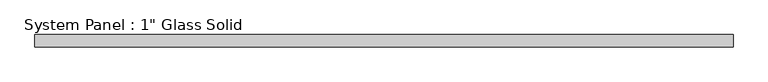
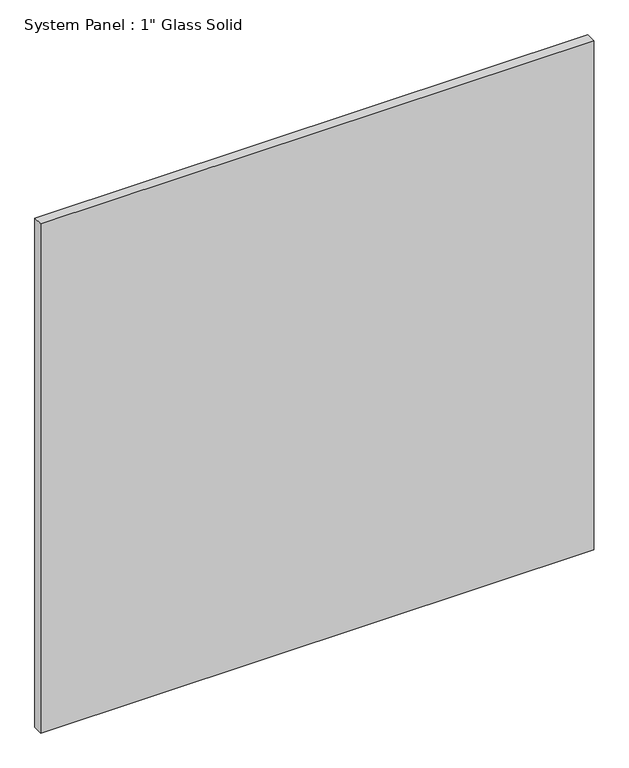
"""IFC4 building model written with IfcOpenShell, lengths in millimetres: plate geometry."""

import ifcopenshell
import ifcopenshell.guid

model = None  # the IFC model being written
_history = None  # IfcOwnerHistory: only IFC2X3 demands one
_inside = {}  # id of a spatial element -> (the spatial element, [elements in it])
_under = {}  # id of a project, library or spatial element -> (it, [spatial elements below it])
_declared = {}  # id of a project -> (the project, [libraries it declares])
_typed = {}  # id of a type object -> (the type object, [elements of that type])
_made_of = {}  # id of a material, layer set ... -> (it, [elements and type objects made of it])


def new_model(schema):
    """Start an empty IFC model of exactly this schema.

    Asked for "IFC4X3", IfcOpenShell would pick the latest addendum, in which some entities
    have other attributes; the version numbers below select the first issue.
    IFC2X3 requires an IfcOwnerHistory on every rooted entity: one is made here for all.
    """
    global model, _history
    if schema == "IFC4X3":
        model = ifcopenshell.file(schema_version=(4, 3, 0, 0))
    else:
        model = ifcopenshell.file(schema=schema)
    _inside.clear()
    _under.clear()
    _declared.clear()
    _typed.clear()
    _made_of.clear()
    _history = None
    if model.schema == "IFC2X3":
        org = make("IfcOrganization", Name="unknown")
        user = make(
            "IfcPersonAndOrganization",
            ThePerson=make("IfcPerson", FamilyName="unknown"),
            TheOrganization=org,
        )
        app = make(
            "IfcApplication",
            ApplicationDeveloper=org,
            Version="unknown",
            ApplicationFullName="unknown",
            ApplicationIdentifier="unknown",
        )
        _history = make(
            "IfcOwnerHistory",
            OwningUser=user,
            OwningApplication=app,
            ChangeAction="ADDED",
            CreationDate=0,
        )
    return model


def make(cls, **values):
    """One entity of the class cls with the attributes given. An attribute that is None is left unset."""
    return model.create_entity(
        cls, **{name: value for name, value in values.items() if value is not None}
    )


def rooted(cls, **values):
    """An entity with a GlobalId (a new one), such as an element, a storey or a relation."""
    return make(cls, GlobalId=ifcopenshell.guid.new(), OwnerHistory=_history, **values)


def si_unit(unit_type, name, prefix=None):
    """IfcSIUnit, for example si_unit("LENGTHUNIT", "METRE", prefix="MILLI")."""
    return make("IfcSIUnit", UnitType=unit_type, Prefix=prefix, Name=name)


def assignment(units):
    """IfcUnitAssignment: the units of a project."""
    return None if units is None else make("IfcUnitAssignment", Units=units)


def point(xyz):
    """IfcCartesianPoint."""
    return None if xyz is None else make("IfcCartesianPoint", Coordinates=xyz)


def direction(xyz):
    """IfcDirection."""
    return None if xyz is None else make("IfcDirection", DirectionRatios=xyz)


def frame(location, z_axis=None, x_axis=None):
    """IfcAxis2Placement3D, a coordinate frame: its origin and axes. An axis left out is left unset."""
    return make(
        "IfcAxis2Placement3D",
        Location=point(location),
        Axis=direction(z_axis),
        RefDirection=direction(x_axis),
    )


def origin():
    """The frame at (0, 0, 0) with its axes left unset."""
    return frame((0.0, 0.0, 0.0))


def origin_with_axes():
    """The frame at (0, 0, 0) with the z axis (0, 0, 1) and the x axis (1, 0, 0) written out."""
    return frame((0.0, 0.0, 0.0), z_axis=(0.0, 0.0, 1.0), x_axis=(1.0, 0.0, 0.0))


def place(relative_to, where):
    """IfcLocalPlacement: puts the frame where relative to a parent placement (None: the world)."""
    return make(
        "IfcLocalPlacement", PlacementRelTo=relative_to, RelativePlacement=where
    )


def context(
    kind, dimensions, precision=None, world=None, true_north=None, identifier=None
):
    """IfcGeometricRepresentationContext, for example the 3D "Model" context."""
    return make(
        "IfcGeometricRepresentationContext",
        ContextIdentifier=identifier,
        ContextType=kind,
        CoordinateSpaceDimension=dimensions,
        Precision=precision,
        WorldCoordinateSystem=world,
        TrueNorth=true_north,
    )


def project(units=None, contexts=None):
    """IfcProject with its units and contexts."""
    return rooted(
        "IfcProject",
        Name="project",
        RepresentationContexts=contexts,
        UnitsInContext=assignment(units),
    )


def spatial(cls, under=None, at=None, **own):
    """A site, building, storey or space (cls), placed at a placement, below another one or the project."""
    s = rooted(cls, ObjectPlacement=at, **own)
    if under is not None:
        _under.setdefault(under.id(), (under, []))[1].append(s)
    return s


def polyline(points):
    """IfcPolyline through the points."""
    return make("IfcPolyline", Points=[point(p) for p in points])


def outline(outer, holes=None, kind="AREA"):
    """IfcArbitraryClosedProfileDef: a profile drawn as a closed curve; with holes, ...WithVoids."""
    if holes is None:
        return make("IfcArbitraryClosedProfileDef", ProfileType=kind, OuterCurve=outer)
    return make(
        "IfcArbitraryProfileDefWithVoids",
        ProfileType=kind,
        OuterCurve=outer,
        InnerCurves=holes,
    )


def extrude(swept, where, along, depth):
    """IfcExtrudedAreaSolid: the profile swept, set in the frame where, extruded along a direction by depth."""
    return make(
        "IfcExtrudedAreaSolid",
        SweptArea=swept,
        Position=where,
        ExtrudedDirection=direction(along),
        Depth=depth,
    )


def shape(context_of_items, identifier, shape_type, items):
    """IfcShapeRepresentation: the items that make up one representation, for example the "Body"."""
    return make(
        "IfcShapeRepresentation",
        ContextOfItems=context_of_items,
        RepresentationIdentifier=identifier,
        RepresentationType=shape_type,
        Items=items,
    )


def source(mapping_origin, context_of_items, identifier, shape_type, items):
    """IfcRepresentationMap: a shape defined once, which mapped items show again and again."""
    return make(
        "IfcRepresentationMap",
        MappingOrigin=mapping_origin,
        MappedRepresentation=shape(context_of_items, identifier, shape_type, items),
    )


def transform(
    local_origin,
    x_axis=None,
    y_axis=None,
    z_axis=None,
    scale=None,
    scale2=None,
    scale3=None,
    uniform=True,
):
    """IfcCartesianTransformationOperator3D, or its non-uniform kind. x_axis, y_axis, z_axis: its Axis1, 2, 3."""
    if uniform:
        return make(
            "IfcCartesianTransformationOperator3D",
            Axis1=direction(x_axis),
            Axis2=direction(y_axis),
            LocalOrigin=point(local_origin),
            Scale=scale,
            Axis3=direction(z_axis),
        )
    return make(
        "IfcCartesianTransformationOperator3DnonUniform",
        Axis1=direction(x_axis),
        Axis2=direction(y_axis),
        LocalOrigin=point(local_origin),
        Scale=scale,
        Axis3=direction(z_axis),
        Scale2=scale2,
        Scale3=scale3,
    )


def mapped(mapping_source, mapping_target):
    """IfcMappedItem: shows the shape of a source again, moved by a transform."""
    return make(
        "IfcMappedItem", MappingSource=mapping_source, MappingTarget=mapping_target
    )


def made_of(thing, what):
    """Note that an element or type object is made of a material, layer set ...; save() writes the relation."""
    if what is not None:
        _made_of.setdefault(what.id(), (what, []))[1].append(thing)
    return thing


def element(
    cls,
    number,
    at=None,
    inside=None,
    cuts=None,
    type_object=None,
    material=None,
    context=None,
    identifier="Body",
    shape_type=None,
    held_by="IfcProductDefinitionShape",
    body=None,
    shapes=None,
    **own,
):
    """One element of the class cls, such as IfcWall. Its Tag is "e" and its number.

    at: its placement. inside: the storey or other place that contains it. cuts: it is an
    opening in that element (IfcRelVoidsElement). A single representation is given by context,
    identifier, shape_type and body (its items); several are given by shapes. held_by: the class
    of the entity that holds the representations. save() writes the other relations.
    """
    e = rooted(cls, Tag="e%d" % number, ObjectPlacement=at, **own)
    if body is not None:
        shapes = [shape(context, identifier, shape_type, body)]
    if shapes is not None:
        e.Representation = make(held_by, Representations=shapes)
    if inside is not None:
        _inside.setdefault(inside.id(), (inside, []))[1].append(e)
    if cuts is not None:
        rooted(
            "IfcRelVoidsElement", RelatingBuildingElement=cuts, RelatedOpeningElement=e
        )
    if type_object is not None:
        _typed.setdefault(type_object.id(), (type_object, []))[1].append(e)
    return made_of(e, material)


def aggregate(whole, parts):
    """IfcRelAggregates: a whole, such as a stair, and the parts it consists of."""
    return rooted("IfcRelAggregates", RelatingObject=whole, RelatedObjects=parts)


def save(model, path):
    """Write the relations noted so far, then the file.

    IfcRelAggregates (storeys below a building ...), IfcRelContainedInSpatialStructure (elements
    in a storey), IfcRelDefinesByType, IfcRelAssociatesMaterial and IfcRelDeclares: one each for
    every whole, place, type object, material and project.
    """
    for whole, parts in _under.values():
        aggregate(whole, parts)
    for where, things in _inside.values():
        rooted(
            "IfcRelContainedInSpatialStructure",
            RelatedElements=things,
            RelatingStructure=where,
        )
    for kind, things in _typed.values():
        rooted("IfcRelDefinesByType", RelatedObjects=things, RelatingType=kind)
    for what, things in _made_of.values():
        rooted("IfcRelAssociatesMaterial", RelatedObjects=things, RelatingMaterial=what)
    for by, libraries in _declared.values():
        rooted("IfcRelDeclares", RelatingContext=by, RelatedDefinitions=libraries)
    model.write(path)


def plate_51c9e807(model_context):
    return source(origin(), model_context, "Body", "SweptSolid", [
        extrude(outline(polyline([(716.0139199, -12.7), (-716.0139199, -12.7), (-716.0139199, 12.7), (716.0139199, 12.7), (716.0139199, -12.7)])), origin_with_axes(), (0.0, 0.0, 1.0), 1394.5741382),
    ])


if __name__ == "__main__":
    model = new_model("IFC4")
    model_context = context("Model", 3, world=origin())
    ifc_project = project(units=[si_unit("LENGTHUNIT", "METRE", prefix="MILLI")], contexts=[model_context])
    site = spatial("IfcSite", under=ifc_project)
    building = spatial("IfcBuilding", under=site)
    placement = place(None, origin())
    plate_shape = plate_51c9e807(model_context)
    element("IfcPlate", 1, ObjectType="System Panel : 1\" Glass Solid", at=placement, inside=building, context=model_context, shape_type="MappedRepresentation", body=[
        mapped(plate_shape, transform((0.0, 0.0, 0.0), x_axis=(1.0, 0.0, 0.0), y_axis=(0.0, 1.0, 0.0), z_axis=(0.0, 0.0, 1.0))),
    ])
    save(model, "model.ifc")
